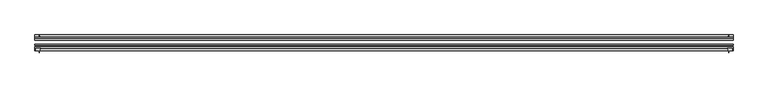
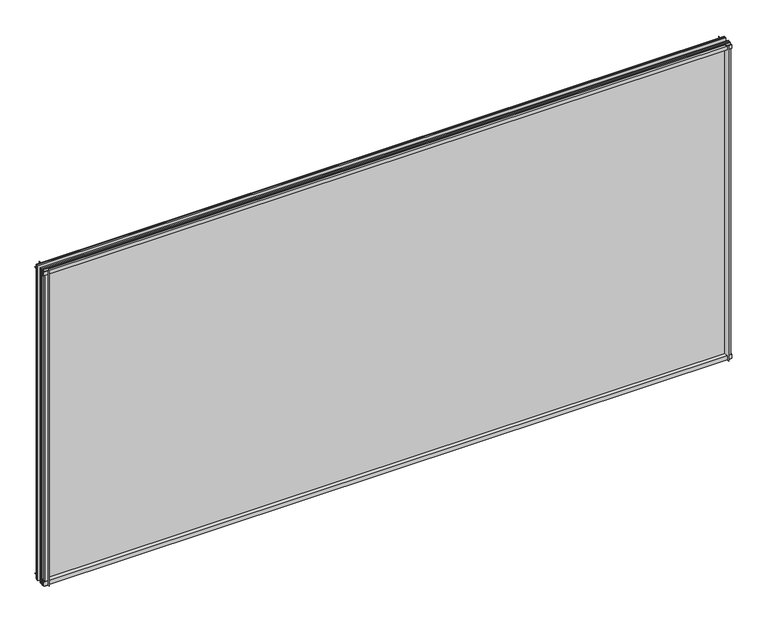
"""IFC4 building model written with IfcOpenShell, lengths in millimetres: plate geometry."""

import ifcopenshell
import ifcopenshell.guid

model = None  # the IFC model being written
_history = None  # IfcOwnerHistory: only IFC2X3 demands one
_inside = {}  # id of a spatial element -> (the spatial element, [elements in it])
_under = {}  # id of a project, library or spatial element -> (it, [spatial elements below it])
_declared = {}  # id of a project -> (the project, [libraries it declares])
_typed = {}  # id of a type object -> (the type object, [elements of that type])
_made_of = {}  # id of a material, layer set ... -> (it, [elements and type objects made of it])


def new_model(schema):
    """Start an empty IFC model of exactly this schema.

    Asked for "IFC4X3", IfcOpenShell would pick the latest addendum, in which some entities
    have other attributes; the version numbers below select the first issue.
    IFC2X3 requires an IfcOwnerHistory on every rooted entity: one is made here for all.
    """
    global model, _history
    if schema == "IFC4X3":
        model = ifcopenshell.file(schema_version=(4, 3, 0, 0))
    else:
        model = ifcopenshell.file(schema=schema)
    _inside.clear()
    _under.clear()
    _declared.clear()
    _typed.clear()
    _made_of.clear()
    _history = None
    if model.schema == "IFC2X3":
        org = make("IfcOrganization", Name="unknown")
        user = make(
            "IfcPersonAndOrganization",
            ThePerson=make("IfcPerson", FamilyName="unknown"),
            TheOrganization=org,
        )
        app = make(
            "IfcApplication",
            ApplicationDeveloper=org,
            Version="unknown",
            ApplicationFullName="unknown",
            ApplicationIdentifier="unknown",
        )
        _history = make(
            "IfcOwnerHistory",
            OwningUser=user,
            OwningApplication=app,
            ChangeAction="ADDED",
            CreationDate=0,
        )
    return model


def make(cls, **values):
    """One entity of the class cls with the attributes given. An attribute that is None is left unset."""
    return model.create_entity(
        cls, **{name: value for name, value in values.items() if value is not None}
    )


def rooted(cls, **values):
    """An entity with a GlobalId (a new one), such as an element, a storey or a relation."""
    return make(cls, GlobalId=ifcopenshell.guid.new(), OwnerHistory=_history, **values)


def si_unit(unit_type, name, prefix=None):
    """IfcSIUnit, for example si_unit("LENGTHUNIT", "METRE", prefix="MILLI")."""
    return make("IfcSIUnit", UnitType=unit_type, Prefix=prefix, Name=name)


def assignment(units):
    """IfcUnitAssignment: the units of a project."""
    return None if units is None else make("IfcUnitAssignment", Units=units)


def point(xyz):
    """IfcCartesianPoint."""
    return None if xyz is None else make("IfcCartesianPoint", Coordinates=xyz)


def direction(xyz):
    """IfcDirection."""
    return None if xyz is None else make("IfcDirection", DirectionRatios=xyz)


def frame(location, z_axis=None, x_axis=None):
    """IfcAxis2Placement3D, a coordinate frame: its origin and axes. An axis left out is left unset."""
    return make(
        "IfcAxis2Placement3D",
        Location=point(location),
        Axis=direction(z_axis),
        RefDirection=direction(x_axis),
    )


def frame_2d(location, x_axis=None):
    """IfcAxis2Placement2D, a coordinate frame in the plane: its origin and x axis."""
    return make(
        "IfcAxis2Placement2D", Location=point(location), RefDirection=direction(x_axis)
    )


def origin():
    """The frame at (0, 0, 0) with its axes left unset."""
    return frame((0.0, 0.0, 0.0))


def place(relative_to, where):
    """IfcLocalPlacement: puts the frame where relative to a parent placement (None: the world)."""
    return make(
        "IfcLocalPlacement", PlacementRelTo=relative_to, RelativePlacement=where
    )


def context(
    kind, dimensions, precision=None, world=None, true_north=None, identifier=None
):
    """IfcGeometricRepresentationContext, for example the 3D "Model" context."""
    return make(
        "IfcGeometricRepresentationContext",
        ContextIdentifier=identifier,
        ContextType=kind,
        CoordinateSpaceDimension=dimensions,
        Precision=precision,
        WorldCoordinateSystem=world,
        TrueNorth=true_north,
    )


def project(units=None, contexts=None):
    """IfcProject with its units and contexts."""
    return rooted(
        "IfcProject",
        Name="project",
        RepresentationContexts=contexts,
        UnitsInContext=assignment(units),
    )


def spatial(cls, under=None, at=None, **own):
    """A site, building, storey or space (cls), placed at a placement, below another one or the project."""
    s = rooted(cls, ObjectPlacement=at, **own)
    if under is not None:
        _under.setdefault(under.id(), (under, []))[1].append(s)
    return s


def polyline(points):
    """IfcPolyline through the points."""
    return make("IfcPolyline", Points=[point(p) for p in points])


def circle_curve(where, radius):
    """IfcCircle in the frame where."""
    return make("IfcCircle", Position=where, Radius=radius)


def trimmed(basis, trim1, trim2, sense, master):
    """IfcTrimmedCurve: the piece of a basis curve between two trims."""
    return make(
        "IfcTrimmedCurve",
        BasisCurve=basis,
        Trim1=trim1,
        Trim2=trim2,
        SenseAgreement=sense,
        MasterRepresentation=master,
    )


def segment(curve, same_sense, transition):
    """IfcCompositeCurveSegment."""
    return make(
        "IfcCompositeCurveSegment",
        Transition=transition,
        SameSense=same_sense,
        ParentCurve=curve,
    )


def composite_curve(segments, self_intersect=None):
    """IfcCompositeCurve: segments joined end to end."""
    return make("IfcCompositeCurve", Segments=segments, SelfIntersect=self_intersect)


def outline(outer, holes=None, kind="AREA"):
    """IfcArbitraryClosedProfileDef: a profile drawn as a closed curve; with holes, ...WithVoids."""
    if holes is None:
        return make("IfcArbitraryClosedProfileDef", ProfileType=kind, OuterCurve=outer)
    return make(
        "IfcArbitraryProfileDefWithVoids",
        ProfileType=kind,
        OuterCurve=outer,
        InnerCurves=holes,
    )


def extrude(swept, where, along, depth):
    """IfcExtrudedAreaSolid: the profile swept, set in the frame where, extruded along a direction by depth."""
    return make(
        "IfcExtrudedAreaSolid",
        SweptArea=swept,
        Position=where,
        ExtrudedDirection=direction(along),
        Depth=depth,
    )


def shape(context_of_items, identifier, shape_type, items):
    """IfcShapeRepresentation: the items that make up one representation, for example the "Body"."""
    return make(
        "IfcShapeRepresentation",
        ContextOfItems=context_of_items,
        RepresentationIdentifier=identifier,
        RepresentationType=shape_type,
        Items=items,
    )


def source(mapping_origin, context_of_items, identifier, shape_type, items):
    """IfcRepresentationMap: a shape defined once, which mapped items show again and again."""
    return make(
        "IfcRepresentationMap",
        MappingOrigin=mapping_origin,
        MappedRepresentation=shape(context_of_items, identifier, shape_type, items),
    )


def transform(
    local_origin,
    x_axis=None,
    y_axis=None,
    z_axis=None,
    scale=None,
    scale2=None,
    scale3=None,
    uniform=True,
):
    """IfcCartesianTransformationOperator3D, or its non-uniform kind. x_axis, y_axis, z_axis: its Axis1, 2, 3."""
    if uniform:
        return make(
            "IfcCartesianTransformationOperator3D",
            Axis1=direction(x_axis),
            Axis2=direction(y_axis),
            LocalOrigin=point(local_origin),
            Scale=scale,
            Axis3=direction(z_axis),
        )
    return make(
        "IfcCartesianTransformationOperator3DnonUniform",
        Axis1=direction(x_axis),
        Axis2=direction(y_axis),
        LocalOrigin=point(local_origin),
        Scale=scale,
        Axis3=direction(z_axis),
        Scale2=scale2,
        Scale3=scale3,
    )


def mapped(mapping_source, mapping_target):
    """IfcMappedItem: shows the shape of a source again, moved by a transform."""
    return make(
        "IfcMappedItem", MappingSource=mapping_source, MappingTarget=mapping_target
    )


def made_of(thing, what):
    """Note that an element or type object is made of a material, layer set ...; save() writes the relation."""
    if what is not None:
        _made_of.setdefault(what.id(), (what, []))[1].append(thing)
    return thing


def element(
    cls,
    number,
    at=None,
    inside=None,
    cuts=None,
    type_object=None,
    material=None,
    context=None,
    identifier="Body",
    shape_type=None,
    held_by="IfcProductDefinitionShape",
    body=None,
    shapes=None,
    **own,
):
    """One element of the class cls, such as IfcWall. Its Tag is "e" and its number.

    at: its placement. inside: the storey or other place that contains it. cuts: it is an
    opening in that element (IfcRelVoidsElement). A single representation is given by context,
    identifier, shape_type and body (its items); several are given by shapes. held_by: the class
    of the entity that holds the representations. save() writes the other relations.
    """
    e = rooted(cls, Tag="e%d" % number, ObjectPlacement=at, **own)
    if body is not None:
        shapes = [shape(context, identifier, shape_type, body)]
    if shapes is not None:
        e.Representation = make(held_by, Representations=shapes)
    if inside is not None:
        _inside.setdefault(inside.id(), (inside, []))[1].append(e)
    if cuts is not None:
        rooted(
            "IfcRelVoidsElement", RelatingBuildingElement=cuts, RelatedOpeningElement=e
        )
    if type_object is not None:
        _typed.setdefault(type_object.id(), (type_object, []))[1].append(e)
    return made_of(e, material)


def aggregate(whole, parts):
    """IfcRelAggregates: a whole, such as a stair, and the parts it consists of."""
    return rooted("IfcRelAggregates", RelatingObject=whole, RelatedObjects=parts)


def save(model, path):
    """Write the relations noted so far, then the file.

    IfcRelAggregates (storeys below a building ...), IfcRelContainedInSpatialStructure (elements
    in a storey), IfcRelDefinesByType, IfcRelAssociatesMaterial and IfcRelDeclares: one each for
    every whole, place, type object, material and project.
    """
    for whole, parts in _under.values():
        aggregate(whole, parts)
    for where, things in _inside.values():
        rooted(
            "IfcRelContainedInSpatialStructure",
            RelatedElements=things,
            RelatingStructure=where,
        )
    for kind, things in _typed.values():
        rooted("IfcRelDefinesByType", RelatedObjects=things, RelatingType=kind)
    for what, things in _made_of.values():
        rooted("IfcRelAssociatesMaterial", RelatedObjects=things, RelatingMaterial=what)
    for by, libraries in _declared.values():
        rooted("IfcRelDeclares", RelatingContext=by, RelatedDefinitions=libraries)
    model.write(path)


def plate_cb594a1e(model_context):
    return source(origin(), model_context, "Body", "SweptSolid", [
        extrude(outline(composite_curve([segment(trimmed(circle_curve(frame_2d((-80.4922797, 17.8701603)), 18.6769817), [point((-74.641075, 0.1333891))], [point((-68.291075, 3.72943))], True, "CARTESIAN"), True, "CONTINUOUS"), segment(polyline([(-68.291075, 3.72943), (-68.291075, -11.11885), (-74.641075, -11.11885), (-74.641075, 0.1333891)]), True, "CONTINUOUS")], self_intersect=False)), frame((-906.4625, 0.0, 0.0), z_axis=(1.0, 0.0, 0.0), x_axis=(0.0, 1.0, 0.0)), (0.0, 0.0, 1.0), 1812.925),
        extrude(outline(composite_curve([segment(polyline([(-42.891075, -11.90625), (-42.891075, 3.8539528)]), True, "CONTINUOUS"), segment(trimmed(circle_curve(frame_2d((-26.637892, 29.5913262)), 30.4397495), [point((-42.891075, 3.8539528))], [point((-33.7745413, 0.0))], True, "CARTESIAN"), True, "CONTINUOUS"), segment(polyline([(-33.7745413, 0.0), (-39.690675, 0.0), (-39.690675, -11.90625), (-42.891075, -11.90625)]), True, "CONTINUOUS")], self_intersect=False)), frame((-906.4625, 0.0, 0.0), z_axis=(1.0, 0.0, 0.0), x_axis=(0.0, 1.0, 0.0)), (0.0, 0.0, 1.0), 1812.925),
        extrude(outline(composite_curve([segment(polyline([(-42.891075, 850.2083472), (-42.891075, 865.1875), (-39.690675, 865.1875), (-39.690675, 854.075), (-33.721675, 854.075)]), True, "CONTINUOUS"), segment(trimmed(circle_curve(frame_2d((-26.637892, 824.4709738)), 30.4397495), [point((-33.721675, 854.075))], [point((-42.891075, 850.2083472))], True, "CARTESIAN"), True, "CONTINUOUS")], self_intersect=False)), frame((-906.4625, 0.0, 0.0), z_axis=(1.0, 0.0, 0.0), x_axis=(0.0, 1.0, 0.0)), (0.0, 0.0, 1.0), 1812.925),
        extrude(outline(composite_curve([segment(polyline([(-68.291075, 862.8126), (-68.291075, 849.53912)]), True, "CONTINUOUS"), segment(trimmed(circle_curve(frame_2d((-80.4922797, 835.3983897)), 18.6769817), [point((-68.291075, 849.53912))], [point((-74.641075, 853.1351609))], True, "CARTESIAN"), True, "CONTINUOUS"), segment(polyline([(-74.641075, 853.1351609), (-74.641075, 862.8126), (-68.291075, 862.8126)]), True, "CONTINUOUS")], self_intersect=False)), frame((-906.4625, 0.0, 0.0), z_axis=(1.0, 0.0, 0.0), x_axis=(0.0, 1.0, 0.0)), (0.0, 0.0, 1.0), 1812.925),
        extrude(outline(composite_curve([segment(polyline([(890.81412, -68.291075), (904.0876, -68.291075), (904.0876, -74.641075), (895.35, -74.641075), (895.35, -80.3744844)]), True, "CONTINUOUS"), segment(trimmed(circle_curve(frame_2d((876.6733897, -80.4922797)), 18.6769817), [point((895.35, -80.3744844))], [point((890.81412, -68.291075))], True, "CARTESIAN"), True, "CONTINUOUS")], self_intersect=False)), frame((0.0, 0.0, -11.90625), z_axis=(0.0, 0.0, 1.0), x_axis=(1.0, 0.0, 0.0)), (0.0, 0.0, 1.0), 877.09375),
        extrude(outline(composite_curve([segment(trimmed(circle_curve(frame_2d((865.7459738, -26.637892)), 30.4397495), [point((891.4833472, -42.891075))], [point((895.35, -33.721675))], True, "CARTESIAN"), True, "CONTINUOUS"), segment(polyline([(895.35, -33.721675), (895.35, -39.690675), (906.4625, -39.690675), (906.4625, -42.891075), (891.4833472, -42.891075)]), True, "CONTINUOUS")], self_intersect=False)), frame((0.0, 0.0, -11.90625), z_axis=(0.0, 0.0, 1.0), x_axis=(1.0, 0.0, 0.0)), (0.0, 0.0, 1.0), 877.09375),
        extrude(outline(composite_curve([segment(trimmed(circle_curve(frame_2d((-876.6733897, -80.4922797)), 18.6769817), [point((-890.81412, -68.291075))], [point((-895.35, -80.3744844))], True, "CARTESIAN"), True, "CONTINUOUS"), segment(polyline([(-895.35, -80.3744844), (-895.35, -74.641075), (-904.0876, -74.641075), (-904.0876, -68.291075), (-890.81412, -68.291075)]), True, "CONTINUOUS")], self_intersect=False)), frame((0.0, 0.0, -11.90625), z_axis=(0.0, 0.0, 1.0), x_axis=(1.0, 0.0, 0.0)), (0.0, 0.0, 1.0), 877.09375),
        extrude(outline(composite_curve([segment(polyline([(-891.4833472, -42.891075), (-906.4625, -42.891075), (-906.4625, -39.690675), (-895.35, -39.690675), (-895.35, -33.721675)]), True, "CONTINUOUS"), segment(trimmed(circle_curve(frame_2d((-865.7459738, -26.637892)), 30.4397495), [point((-895.35, -33.721675))], [point((-891.4833472, -42.891075))], True, "CARTESIAN"), True, "CONTINUOUS")], self_intersect=False)), frame((0.0, 0.0, -11.90625), z_axis=(0.0, 0.0, 1.0), x_axis=(1.0, 0.0, 0.0)), (0.0, 0.0, 1.0), 877.09375),
        extrude(outline(polyline([(-906.4625, -42.891075), (906.4625, -42.891075), (906.4625, -47.653575), (-906.4625, -47.653575), (-906.4625, -42.891075)])), frame((0.0, 0.0, -11.90625), z_axis=(0.0, 0.0, 1.0), x_axis=(1.0, 0.0, 0.0)), (0.0, 0.0, 1.0), 877.09375),
        extrude(outline(polyline([(906.4625, -57.369075), (906.4625, -60.544075), (-906.4625, -60.544075), (-906.4625, -57.369075), (906.4625, -57.369075)])), frame((0.0, 0.0, -11.90625), z_axis=(0.0, 0.0, 1.0), x_axis=(1.0, 0.0, 0.0)), (0.0, 0.0, 1.0), 877.09375),
        extrude(outline(polyline([(-906.4625, -65.116075), (906.4625, -65.116075), (906.4625, -68.291075), (-906.4625, -68.291075), (-906.4625, -65.116075)])), frame((0.0, 0.0, -11.90625), z_axis=(0.0, 0.0, 1.0), x_axis=(1.0, 0.0, 0.0)), (0.0, 0.0, 1.0), 877.09375),
    ])


if __name__ == "__main__":
    model = new_model("IFC4")
    model_context = context("Model", 3, world=origin())
    ifc_project = project(units=[si_unit("LENGTHUNIT", "METRE", prefix="MILLI")], contexts=[model_context])
    site = spatial("IfcSite", under=ifc_project)
    building = spatial("IfcBuilding", under=site)
    placement = place(None, origin())
    plate_shape = plate_cb594a1e(model_context)
    element("IfcPlate", 1, at=placement, inside=building, context=model_context, shape_type="MappedRepresentation", body=[
        mapped(plate_shape, transform((0.0, 0.0, 0.0), x_axis=(1.0, 0.0, 0.0), y_axis=(0.0, 1.0, 0.0), z_axis=(0.0, 0.0, 1.0))),
    ])
    save(model, "model.ifc")
